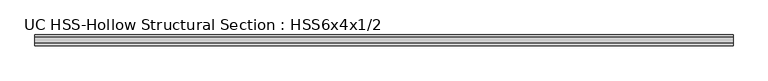
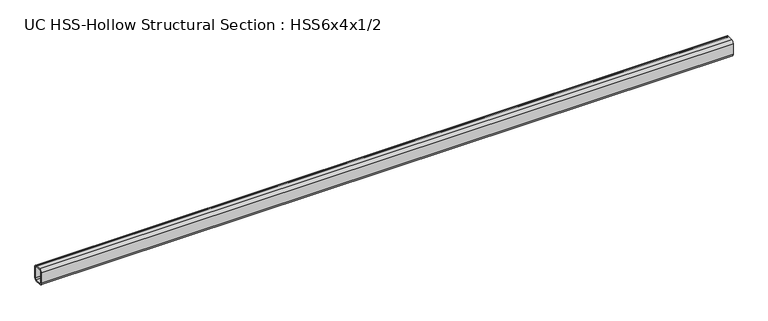
"""IFC4 building model written with IfcOpenShell, lengths in millimetres: beam geometry, UC HSS-Hollow Structural Section : HSS6x4x1/2."""

from ifc_helpers import new_model, si_unit, point, frame, frame_2d, origin, place, context, project, spatial, polyline, circle_curve, trimmed, segment, composite_curve, outline, extrude, source, transform, mapped, element, save


def uc_hss_hollow_structural_section_hss6x4x1_2_9c0921ff(model_context):
    return source(origin(), model_context, "Body", "SweptSolid", [
        extrude(outline(composite_curve([segment(trimmed(circle_curve(frame_2d((-27.178, 52.578)), 23.622), [point((-50.8, 52.578))], [point((-27.178, 76.2))], False, "CARTESIAN"), True, "CONTINUOUS"), segment(polyline([(-27.178, 76.2), (27.178, 76.2)]), True, "CONTINUOUS"), segment(trimmed(circle_curve(frame_2d((27.178, 52.578)), 23.622), [point((27.178, 76.2))], [point((50.8, 52.578))], False, "CARTESIAN"), True, "CONTINUOUS"), segment(polyline([(50.8, 52.578), (50.8, -52.578)]), True, "CONTINUOUS"), segment(trimmed(circle_curve(frame_2d((27.178, -52.578)), 23.622), [point((50.8, -52.578))], [point((27.178, -76.2))], False, "CARTESIAN"), True, "CONTINUOUS"), segment(polyline([(27.178, -76.2), (-27.178, -76.2)]), True, "CONTINUOUS"), segment(trimmed(circle_curve(frame_2d((-27.178, -52.578)), 23.622), [point((-27.178, -76.2))], [point((-50.8, -52.578))], False, "CARTESIAN"), True, "CONTINUOUS"), segment(polyline([(-50.8, -52.578), (-50.8, 52.578)]), True, "CONTINUOUS")], self_intersect=False), holes=[composite_curve([segment(polyline([(27.178, 64.389), (-27.178, 64.389)]), True, "CONTINUOUS"), segment(trimmed(circle_curve(frame_2d((-27.178, 52.578)), 11.811), [point((-27.178, 64.389))], [point((-38.989, 52.578))], True, "CARTESIAN"), True, "CONTINUOUS"), segment(polyline([(-38.989, 52.578), (-38.989, -52.578)]), True, "CONTINUOUS"), segment(trimmed(circle_curve(frame_2d((-27.178, -52.578)), 11.811), [point((-38.989, -52.578))], [point((-27.178, -64.389))], True, "CARTESIAN"), True, "CONTINUOUS"), segment(polyline([(-27.178, -64.389), (27.178, -64.389)]), True, "CONTINUOUS"), segment(trimmed(circle_curve(frame_2d((27.178, -52.578)), 11.811), [point((27.178, -64.389))], [point((38.989, -52.578))], True, "CARTESIAN"), True, "CONTINUOUS"), segment(polyline([(38.989, -52.578), (38.989, 52.578)]), True, "CONTINUOUS"), segment(trimmed(circle_curve(frame_2d((27.178, 52.578)), 11.811), [point((38.989, 52.578))], [point((27.178, 64.389))], True, "CARTESIAN"), True, "CONTINUOUS")], self_intersect=False)]), frame((-3121.6136959, 0.0, 0.0), z_axis=(1.0, 0.0, 0.0), x_axis=(0.0, 1.0, 0.0)), (0.0, 0.0, 1.0), 6418.9105502),
    ])


if __name__ == "__main__":
    model = new_model("IFC4")
    model_context = context("Model", 3, world=origin())
    ifc_project = project(units=[si_unit("LENGTHUNIT", "METRE", prefix="MILLI")], contexts=[model_context])
    site = spatial("IfcSite", under=ifc_project)
    building = spatial("IfcBuilding", under=site)
    placement = place(None, origin())
    uc_hss_hollow_structural_section_hss6x4x1_2_shape = uc_hss_hollow_structural_section_hss6x4x1_2_9c0921ff(model_context)
    element("IfcBeam", 1, ObjectType="UC HSS-Hollow Structural Section : HSS6x4x1/2", at=placement, inside=building, context=model_context, shape_type="MappedRepresentation", body=[
        mapped(uc_hss_hollow_structural_section_hss6x4x1_2_shape, transform((0.0, 0.0, 0.0), x_axis=(1.0, 0.0, 0.0), y_axis=(0.0, 1.0, 0.0), z_axis=(0.0, 0.0, 1.0))),
    ])
    save(model, "model.ifc")
